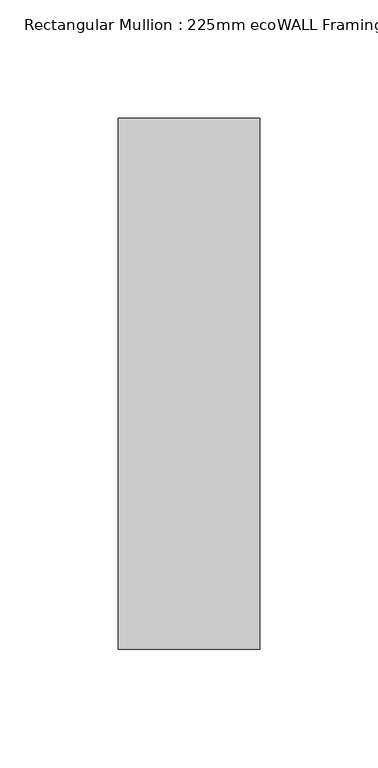
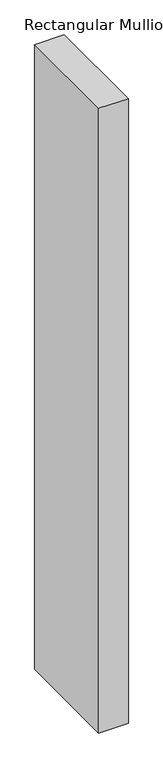
"""IFC4 building model written with IfcOpenShell, lengths in millimetres: member geometry, Rectangular Mullion : 225mm ecoWALL Framing."""

from ifc_helpers import new_model, si_unit, frame, origin, place, context, project, spatial, polyline, outline, extrude, source, transform, mapped, element, save


def rectangular_mullion_225mm_ecowall_framing_aeb9768e(model_context):
    return source(origin(), model_context, "Body", "SweptSolid", [
        extrude(outline(polyline([(30.0, 112.5), (30.0, -112.5), (-30.0, -112.5), (-30.0, 112.5), (30.0, 112.5)])), frame((0.0, 0.0, -1340.0), z_axis=(0.0, 0.0, 1.0), x_axis=(1.0, 0.0, 0.0)), (0.0, 0.0, 1.0), 1340.0),
    ])


if __name__ == "__main__":
    model = new_model("IFC4")
    model_context = context("Model", 3, world=origin())
    ifc_project = project(units=[si_unit("LENGTHUNIT", "METRE", prefix="MILLI")], contexts=[model_context])
    site = spatial("IfcSite", under=ifc_project)
    building = spatial("IfcBuilding", under=site)
    placement = place(None, origin())
    rectangular_mullion_225mm_ecowall_framing_shape = rectangular_mullion_225mm_ecowall_framing_aeb9768e(model_context)
    element("IfcMember", 1, ObjectType="Rectangular Mullion : 225mm ecoWALL Framing", at=placement, inside=building, context=model_context, shape_type="MappedRepresentation", body=[
        mapped(rectangular_mullion_225mm_ecowall_framing_shape, transform((0.0, 0.0, 0.0), x_axis=(1.0, 0.0, 0.0), y_axis=(0.0, 1.0, 0.0), z_axis=(0.0, 0.0, 1.0))),
    ])
    save(model, "model.ifc")
